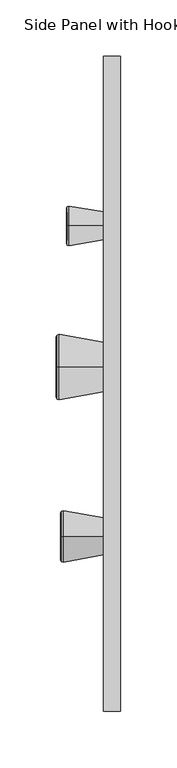
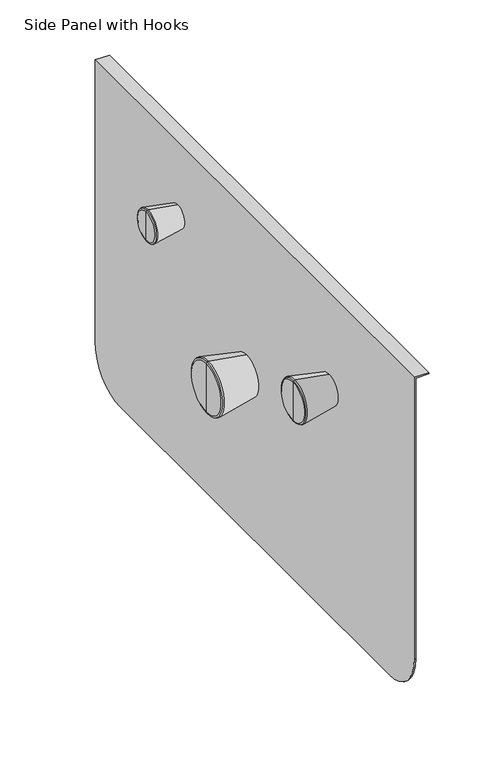
"""IFC4 building model written with IfcOpenShell, lengths in millimetres: furniture geometry, Side Panel with Hooks."""

import ifcopenshell
import ifcopenshell.guid

model = None  # the IFC model being written
_history = None  # IfcOwnerHistory: only IFC2X3 demands one
_inside = {}  # id of a spatial element -> (the spatial element, [elements in it])
_under = {}  # id of a project, library or spatial element -> (it, [spatial elements below it])
_declared = {}  # id of a project -> (the project, [libraries it declares])
_typed = {}  # id of a type object -> (the type object, [elements of that type])
_made_of = {}  # id of a material, layer set ... -> (it, [elements and type objects made of it])


def new_model(schema):
    """Start an empty IFC model of exactly this schema.

    Asked for "IFC4X3", IfcOpenShell would pick the latest addendum, in which some entities
    have other attributes; the version numbers below select the first issue.
    IFC2X3 requires an IfcOwnerHistory on every rooted entity: one is made here for all.
    """
    global model, _history
    if schema == "IFC4X3":
        model = ifcopenshell.file(schema_version=(4, 3, 0, 0))
    else:
        model = ifcopenshell.file(schema=schema)
    _inside.clear()
    _under.clear()
    _declared.clear()
    _typed.clear()
    _made_of.clear()
    _history = None
    if model.schema == "IFC2X3":
        org = make("IfcOrganization", Name="unknown")
        user = make(
            "IfcPersonAndOrganization",
            ThePerson=make("IfcPerson", FamilyName="unknown"),
            TheOrganization=org,
        )
        app = make(
            "IfcApplication",
            ApplicationDeveloper=org,
            Version="unknown",
            ApplicationFullName="unknown",
            ApplicationIdentifier="unknown",
        )
        _history = make(
            "IfcOwnerHistory",
            OwningUser=user,
            OwningApplication=app,
            ChangeAction="ADDED",
            CreationDate=0,
        )
    return model


def make(cls, **values):
    """One entity of the class cls with the attributes given. An attribute that is None is left unset."""
    return model.create_entity(
        cls, **{name: value for name, value in values.items() if value is not None}
    )


def rooted(cls, **values):
    """An entity with a GlobalId (a new one), such as an element, a storey or a relation."""
    return make(cls, GlobalId=ifcopenshell.guid.new(), OwnerHistory=_history, **values)


def si_unit(unit_type, name, prefix=None):
    """IfcSIUnit, for example si_unit("LENGTHUNIT", "METRE", prefix="MILLI")."""
    return make("IfcSIUnit", UnitType=unit_type, Prefix=prefix, Name=name)


def assignment(units):
    """IfcUnitAssignment: the units of a project."""
    return None if units is None else make("IfcUnitAssignment", Units=units)


def point(xyz):
    """IfcCartesianPoint."""
    return None if xyz is None else make("IfcCartesianPoint", Coordinates=xyz)


def direction(xyz):
    """IfcDirection."""
    return None if xyz is None else make("IfcDirection", DirectionRatios=xyz)


def frame(location, z_axis=None, x_axis=None):
    """IfcAxis2Placement3D, a coordinate frame: its origin and axes. An axis left out is left unset."""
    return make(
        "IfcAxis2Placement3D",
        Location=point(location),
        Axis=direction(z_axis),
        RefDirection=direction(x_axis),
    )


def origin():
    """The frame at (0, 0, 0) with its axes left unset."""
    return frame((0.0, 0.0, 0.0))


def place(relative_to, where):
    """IfcLocalPlacement: puts the frame where relative to a parent placement (None: the world)."""
    return make(
        "IfcLocalPlacement", PlacementRelTo=relative_to, RelativePlacement=where
    )


def context(
    kind, dimensions, precision=None, world=None, true_north=None, identifier=None
):
    """IfcGeometricRepresentationContext, for example the 3D "Model" context."""
    return make(
        "IfcGeometricRepresentationContext",
        ContextIdentifier=identifier,
        ContextType=kind,
        CoordinateSpaceDimension=dimensions,
        Precision=precision,
        WorldCoordinateSystem=world,
        TrueNorth=true_north,
    )


def project(units=None, contexts=None):
    """IfcProject with its units and contexts."""
    return rooted(
        "IfcProject",
        Name="project",
        RepresentationContexts=contexts,
        UnitsInContext=assignment(units),
    )


def spatial(cls, under=None, at=None, **own):
    """A site, building, storey or space (cls), placed at a placement, below another one or the project."""
    s = rooted(cls, ObjectPlacement=at, **own)
    if under is not None:
        _under.setdefault(under.id(), (under, []))[1].append(s)
    return s


def polyline(points):
    """IfcPolyline through the points."""
    return make("IfcPolyline", Points=[point(p) for p in points])


def circle_curve(where, radius):
    """IfcCircle in the frame where."""
    return make("IfcCircle", Position=where, Radius=radius)


def shape(context_of_items, identifier, shape_type, items):
    """IfcShapeRepresentation: the items that make up one representation, for example the "Body"."""
    return make(
        "IfcShapeRepresentation",
        ContextOfItems=context_of_items,
        RepresentationIdentifier=identifier,
        RepresentationType=shape_type,
        Items=items,
    )


def source(mapping_origin, context_of_items, identifier, shape_type, items):
    """IfcRepresentationMap: a shape defined once, which mapped items show again and again."""
    return make(
        "IfcRepresentationMap",
        MappingOrigin=mapping_origin,
        MappedRepresentation=shape(context_of_items, identifier, shape_type, items),
    )


def transform(
    local_origin,
    x_axis=None,
    y_axis=None,
    z_axis=None,
    scale=None,
    scale2=None,
    scale3=None,
    uniform=True,
):
    """IfcCartesianTransformationOperator3D, or its non-uniform kind. x_axis, y_axis, z_axis: its Axis1, 2, 3."""
    if uniform:
        return make(
            "IfcCartesianTransformationOperator3D",
            Axis1=direction(x_axis),
            Axis2=direction(y_axis),
            LocalOrigin=point(local_origin),
            Scale=scale,
            Axis3=direction(z_axis),
        )
    return make(
        "IfcCartesianTransformationOperator3DnonUniform",
        Axis1=direction(x_axis),
        Axis2=direction(y_axis),
        LocalOrigin=point(local_origin),
        Scale=scale,
        Axis3=direction(z_axis),
        Scale2=scale2,
        Scale3=scale3,
    )


def mapped(mapping_source, mapping_target):
    """IfcMappedItem: shows the shape of a source again, moved by a transform."""
    return make(
        "IfcMappedItem", MappingSource=mapping_source, MappingTarget=mapping_target
    )


def made_of(thing, what):
    """Note that an element or type object is made of a material, layer set ...; save() writes the relation."""
    if what is not None:
        _made_of.setdefault(what.id(), (what, []))[1].append(thing)
    return thing


def element(
    cls,
    number,
    at=None,
    inside=None,
    cuts=None,
    type_object=None,
    material=None,
    context=None,
    identifier="Body",
    shape_type=None,
    held_by="IfcProductDefinitionShape",
    body=None,
    shapes=None,
    **own,
):
    """One element of the class cls, such as IfcWall. Its Tag is "e" and its number.

    at: its placement. inside: the storey or other place that contains it. cuts: it is an
    opening in that element (IfcRelVoidsElement). A single representation is given by context,
    identifier, shape_type and body (its items); several are given by shapes. held_by: the class
    of the entity that holds the representations. save() writes the other relations.
    """
    e = rooted(cls, Tag="e%d" % number, ObjectPlacement=at, **own)
    if body is not None:
        shapes = [shape(context, identifier, shape_type, body)]
    if shapes is not None:
        e.Representation = make(held_by, Representations=shapes)
    if inside is not None:
        _inside.setdefault(inside.id(), (inside, []))[1].append(e)
    if cuts is not None:
        rooted(
            "IfcRelVoidsElement", RelatingBuildingElement=cuts, RelatedOpeningElement=e
        )
    if type_object is not None:
        _typed.setdefault(type_object.id(), (type_object, []))[1].append(e)
    return made_of(e, material)


def aggregate(whole, parts):
    """IfcRelAggregates: a whole, such as a stair, and the parts it consists of."""
    return rooted("IfcRelAggregates", RelatingObject=whole, RelatedObjects=parts)


def save(model, path):
    """Write the relations noted so far, then the file.

    IfcRelAggregates (storeys below a building ...), IfcRelContainedInSpatialStructure (elements
    in a storey), IfcRelDefinesByType, IfcRelAssociatesMaterial and IfcRelDeclares: one each for
    every whole, place, type object, material and project.
    """
    for whole, parts in _under.values():
        aggregate(whole, parts)
    for where, things in _inside.values():
        rooted(
            "IfcRelContainedInSpatialStructure",
            RelatedElements=things,
            RelatingStructure=where,
        )
    for kind, things in _typed.values():
        rooted("IfcRelDefinesByType", RelatedObjects=things, RelatingType=kind)
    for what, things in _made_of.values():
        rooted("IfcRelAssociatesMaterial", RelatedObjects=things, RelatingMaterial=what)
    for by, libraries in _declared.values():
        rooted("IfcRelDeclares", RelatingContext=by, RelatedDefinitions=libraries)
    model.write(path)


def plane_surface(at):
    """IfcPlane: the flat surface through the origin of the frame at, square to its z axis."""
    return make("IfcPlane", Position=at)


def cylinder_surface(at, radius):
    """IfcCylindricalSurface: all points at the distance radius from the z axis of the frame at."""
    return make("IfcCylindricalSurface", Position=at, Radius=radius)


def revolved_surface(curve, axis_point, axis_direction):
    """IfcSurfaceOfRevolution: the curve turned about the line through axis_point along axis_direction."""
    return make(
        "IfcSurfaceOfRevolution",
        SweptCurve=make("IfcArbitraryOpenProfileDef", ProfileType="CURVE", Curve=curve),
        AxisPosition=make("IfcAxis1Placement", Location=point(axis_point), Axis=direction(axis_direction)),
    )


def advanced_brep(points, edges, surfaces, faces):
    """IfcAdvancedBrep: a solid bounded by faces that lie on surfaces and meet in shared edges.

    An edge is (start, end): straight between two places in points (the first is 0);
    or (start, end, curve); or (start, end, curve, False) where it runs against its curve.
    A face is (place in surfaces, loops), or (place, loops, False) where it looks against
    its surface's normal. A loop lists edges by number (the first is 1), with a minus sign
    where the edge is run from its end to its start. The first loop is the outer one.
    """
    corners = [point(p) for p in points]
    vertices = [make("IfcVertexPoint", VertexGeometry=c) for c in corners]
    made = []
    for start, end, *more in edges:
        made.append(
            make(
                "IfcEdgeCurve",
                EdgeStart=vertices[start],
                EdgeEnd=vertices[end],
                EdgeGeometry=more[0] if more else make("IfcPolyline", Points=[corners[start], corners[end]]),
                SameSense=more[1] if len(more) > 1 else True,
            )
        )
    hull = []
    for where, loops, *sense in faces:
        bounds = []
        for j, loop in enumerate(loops):
            ring = [make("IfcOrientedEdge", EdgeElement=made[abs(k) - 1], Orientation=k > 0) for k in loop]
            bounds.append(
                make(
                    "IfcFaceOuterBound" if j == 0 else "IfcFaceBound",
                    Bound=make("IfcEdgeLoop", EdgeList=ring),
                    Orientation=True,
                )
            )
        hull.append(make("IfcAdvancedFace", Bounds=bounds, FaceSurface=surfaces[where], SameSense=sense[0] if sense else True))
    return make("IfcAdvancedBrep", Outer=make("IfcClosedShell", CfsFaces=hull))


def side_panel_with_hooks_f9195bd4(model_context):
    return source(origin(), model_context, "Body", "AdvancedBrep", [
        advanced_brep(
        [(0.48013, -535.0, 565.0502047), (0.48013, -535.0, 598.075599), (0.48013, -535.0, 581.5629019), (-35.1617376, -535.0, 558.5636912), (-35.1617376, -535.0, 604.5621126), (-37.5198384, -535.0, 581.5629596), (-37.5198384, -535.0, 602.5944383), (-37.5198384, -535.0, 560.5313655), (-36.7481992, -535.0, 559.0520984), (-36.7481992, -535.0, 604.0737054)],
        [
            (0, 1, circle_curve(frame((0.48013, -535.0, 581.5629019), z_axis=(1.0, 0.0, 0.0), x_axis=(0.0, 0.0, 1.0)), 16.5126971)),
            (1, 2),
            (2, 0),
            (1, 0, circle_curve(frame((0.48013, -535.0, 581.5629019), z_axis=(1.0, 0.0, 0.0), x_axis=(0.0, 0.0, 1.0)), 16.5126971)),
            (3, 4, circle_curve(frame((-35.1617376, -535.0, 581.5629019), z_axis=(1.0, 0.0, 0.0), x_axis=(0.0, 0.0, 1.0)), 22.9992107)),
            (4, 1),
            (0, 3),
            (4, 3, circle_curve(frame((-35.1617376, -535.0, 581.5629019), z_axis=(1.0, 0.0, 0.0), x_axis=(0.0, 0.0, 1.0)), 22.9992107)),
            (5, 6),
            (6, 7, circle_curve(frame((-37.5198384, -535.0, 581.5629019), z_axis=(-1.0, 0.0, 0.0), x_axis=(0.0, 0.0, 1.0)), 21.0315364)),
            (7, 5),
            (7, 6, circle_curve(frame((-37.5198384, -535.0, 581.5629019), z_axis=(-1.0, 0.0, 0.0), x_axis=(0.0, 0.0, 1.0)), 21.0315364)),
            (8, 9, circle_curve(frame((-36.7481992, -535.0, 581.5629019), z_axis=(1.0, 0.0, 0.0), x_axis=(0.0, 0.0, 1.0)), 22.5108035)),
            (9, 4),
            (3, 8),
            (9, 8, circle_curve(frame((-36.7481992, -535.0, 581.5629019), z_axis=(1.0, 0.0, 0.0), x_axis=(0.0, 0.0, 1.0)), 22.5108035)),
            (6, 9),
            (8, 7),
        ],
        [
            plane_surface(frame((0.48013, -535.0, 581.5629019), z_axis=(1.0, 0.0, 0.0), x_axis=(0.0, 0.0, 1.0))),
            revolved_surface(polyline([(0.48013, -535.0, 598.075599), (-35.1617376, -535.0, 604.5621126)]), (-61.5198545, -535.0, 581.5629019), (-1.0, 0.0, 0.0)),
            plane_surface(frame((-37.5198384, -535.0, 581.5629019), z_axis=(-1.0, 0.0, 0.0), x_axis=(0.0, 0.0, 1.0))),
            revolved_surface(polyline([(-35.1617376, -535.0, 604.5621126), (-36.7481992, -535.0, 604.0737054)]), (-61.5198545, -535.0, 581.5629019), (-1.0, 0.0, 0.0)),
            revolved_surface(polyline([(-36.7481992, -535.0, 604.0737054), (-37.5198384, -535.0, 602.5944383)]), (-61.5198545, -535.0, 581.5629019), (-1.0, 0.0, 0.0)),
        ],
        [
            (0, [[1, 2, 3]]),
            (0, [[4, -3, -2]]),
            (1, [[5, 6, -1, 7]]),
            (1, [[8, -7, -4, -6]]),
            (2, [[9, 10, 11]]),
            (2, [[-11, 12, -9]]),
            (3, [[13, 14, -5, 15]]),
            (3, [[16, -15, -8, -14]]),
            (4, [[-10, 17, -13, 18]]),
            (4, [[-12, -18, -16, -17]]),
        ],
    ),
        advanced_brep(
        [(0.48013, -260.0, 606.5629377), (0.48013, -260.0, 619.1292219), (0.48013, -260.0, 593.9966534), (-30.2023511, -260.0, 624.0628229), (-30.2023511, -260.0, 589.0630524), (-32.5198634, -260.0, 591.0376881), (-32.5198634, -260.0, 622.0881872), (-32.5198634, -260.0, 606.5629377), (-31.7828058, -260.0, 589.4437666), (-31.7828058, -260.0, 623.6821087)],
        [
            (0, 1),
            (1, 2, circle_curve(frame((0.48013, -260.0, 606.5629377), z_axis=(1.0, 0.0, 0.0), x_axis=(0.0, 0.0, 1.0)), 12.5662842)),
            (2, 0),
            (2, 1, circle_curve(frame((0.48013, -260.0, 606.5629377), z_axis=(1.0, 0.0, 0.0), x_axis=(0.0, 0.0, 1.0)), 12.5662842)),
            (1, 3),
            (3, 4, circle_curve(frame((-30.2023511, -260.0, 606.5629377), z_axis=(1.0, 0.0, 0.0), x_axis=(0.0, 0.0, 1.0)), 17.4998852)),
            (4, 2),
            (4, 3, circle_curve(frame((-30.2023511, -260.0, 606.5629377), z_axis=(1.0, 0.0, 0.0), x_axis=(0.0, 0.0, 1.0)), 17.4998852)),
            (5, 6, circle_curve(frame((-32.5198634, -260.0, 606.5629377), z_axis=(-1.0, 0.0, 0.0), x_axis=(0.0, 0.0, 1.0)), 15.5252496)),
            (6, 7),
            (7, 5),
            (6, 5, circle_curve(frame((-32.5198634, -260.0, 606.5629377), z_axis=(-1.0, 0.0, 0.0), x_axis=(0.0, 0.0, 1.0)), 15.5252496)),
            (8, 9, circle_curve(frame((-31.7828058, -260.0, 606.5629377), z_axis=(-1.0, 0.0, 0.0), x_axis=(0.0, 0.0, 1.0)), 17.119171)),
            (9, 6),
            (5, 8),
            (9, 8, circle_curve(frame((-31.7828058, -260.0, 606.5629377), z_axis=(-1.0, 0.0, 0.0), x_axis=(0.0, 0.0, 1.0)), 17.119171)),
            (3, 9),
            (8, 4),
        ],
        [
            plane_surface(frame((0.48013, -260.0, 606.5629377), z_axis=(1.0, 0.0, 0.0), x_axis=(0.0, 0.0, 1.0))),
            revolved_surface(polyline([(-30.2023511, -260.0, 624.0628229), (0.48013, -260.0, 619.1292219)]), (-61.5198545, -260.0, 606.5629377), (1.0, 0.0, 0.0)),
            plane_surface(frame((-32.5198634, -260.0, 606.5629377), z_axis=(-1.0, 0.0, 0.0), x_axis=(0.0, 0.0, 1.0))),
            revolved_surface(polyline([(-32.5198634, -260.0, 622.0881872), (-31.7828058, -260.0, 623.6821087)]), (-61.5198545, -260.0, 606.5629377), (1.0, 0.0, 0.0)),
            revolved_surface(polyline([(-31.7828058, -260.0, 623.6821087), (-30.2023511, -260.0, 624.0628229)]), (-61.5198545, -260.0, 606.5629377), (1.0, 0.0, 0.0)),
        ],
        [
            (0, [[1, 2, 3]]),
            (0, [[-3, 4, -1]]),
            (1, [[-2, 5, 6, 7]]),
            (1, [[-4, -7, 8, -5]]),
            (2, [[9, 10, 11]]),
            (2, [[12, -11, -10]]),
            (3, [[13, 14, -9, 15]]),
            (3, [[16, -15, -12, -14]]),
            (4, [[-6, 17, -13, 18]]),
            (4, [[-8, -18, -16, -17]]),
        ],
    ),
        advanced_brep(
        [(0.48013, -385.0, 506.5629019), (0.48013, -385.0, 528.5863382), (0.48013, -385.0, 484.5394655), (-39.173258, -385.0, 535.5637751), (-39.173258, -385.0, 477.5620287), (-40.7386386, -385.0, 535.1019654), (-40.7386386, -385.0, 478.0238383), (-41.5198545, -385.0, 533.5940363), (-41.5198545, -385.0, 479.5317675), (-41.5198545, -385.0, 506.5629019)],
        [
            (0, 1),
            (1, 2, circle_curve(frame((0.48013, -385.0, 506.5629019), z_axis=(1.0, 0.0, 0.0), x_axis=(0.0, 0.0, 1.0)), 22.0234363)),
            (2, 0),
            (2, 1, circle_curve(frame((0.48013, -385.0, 506.5629019), z_axis=(1.0, 0.0, 0.0), x_axis=(0.0, 0.0, 1.0)), 22.0234363)),
            (1, 3),
            (3, 4, circle_curve(frame((-39.173258, -385.0, 506.5629019), z_axis=(1.0, 0.0, 0.0), x_axis=(0.0, 0.0, 1.0)), 29.0008732)),
            (4, 2),
            (4, 3, circle_curve(frame((-39.173258, -385.0, 506.5629019), z_axis=(1.0, 0.0, 0.0), x_axis=(0.0, 0.0, 1.0)), 29.0008732)),
            (3, 5),
            (5, 6, circle_curve(frame((-40.7386386, -385.0, 506.5629019), z_axis=(1.0, 0.0, 0.0), x_axis=(0.0, 0.0, 1.0)), 28.5390636)),
            (6, 4),
            (6, 5, circle_curve(frame((-40.7386386, -385.0, 506.5629019), z_axis=(1.0, 0.0, 0.0), x_axis=(0.0, 0.0, 1.0)), 28.5390636)),
            (5, 7),
            (7, 8, circle_curve(frame((-41.5198545, -385.0, 506.5629019), z_axis=(1.0, 0.0, 0.0), x_axis=(0.0, 0.0, 1.0)), 27.0311344)),
            (8, 6),
            (8, 7, circle_curve(frame((-41.5198545, -385.0, 506.5629019), z_axis=(1.0, 0.0, 0.0), x_axis=(0.0, 0.0, 1.0)), 27.0311344)),
            (7, 9),
            (9, 8),
        ],
        [
            plane_surface(frame((0.48013, -385.0, 506.5629019), z_axis=(1.0, 0.0, 0.0), x_axis=(0.0, 0.0, 1.0))),
            revolved_surface(polyline([(-39.173258, -385.0, 535.5637751), (0.48013, -385.0, 528.5863382)]), (-61.5198545, -385.0, 506.5629019), (1.0, 0.0, 0.0)),
            revolved_surface(polyline([(-40.7386386, -385.0, 535.1019654), (-39.173258, -385.0, 535.5637751)]), (-61.5198545, -385.0, 506.5629019), (1.0, 0.0, 0.0)),
            revolved_surface(polyline([(-41.5198545, -385.0, 533.5940363), (-40.7386386, -385.0, 535.1019654)]), (-61.5198545, -385.0, 506.5629019), (1.0, 0.0, 0.0)),
            plane_surface(frame((-41.5198545, -385.0, 506.5629019), z_axis=(-1.0, 0.0, 0.0), x_axis=(0.0, 0.0, 1.0))),
        ],
        [
            (0, [[1, 2, 3]]),
            (0, [[-3, 4, -1]]),
            (1, [[-2, 5, 6, 7]]),
            (1, [[-4, -7, 8, -5]]),
            (2, [[-6, 9, 10, 11]]),
            (2, [[-8, -11, 12, -9]]),
            (3, [[-10, 13, 14, 15]]),
            (3, [[-12, -15, 16, -13]]),
            (4, [[-14, 17, 18]]),
            (4, [[-16, -18, -17]]),
        ],
    ),
        advanced_brep(
        [(2.0, -689.9999923, 376.5617293), (2.0, -644.9999923, 331.5617293), (2.0, -155.0000077, 331.5617293), (2.0, -110.0000077, 376.5617293), (2.0, -110.0000077, 687.0617293), (2.0, -689.9999923, 687.0617293), (0.5, -689.9999923, 376.5617293), (0.5, -689.9999923, 688.5617293), (0.5, -110.0000077, 688.5617293), (0.5, -110.0000077, 376.5617293), (0.5, -155.0000077, 331.5617293), (0.5, -644.9999923, 331.5617293), (15.5, -689.9999923, 687.0617293), (15.5, -689.9999923, 688.5617293), (15.5, -110.0000077, 688.5617293), (15.5, -110.0000077, 687.0617293)],
        [
            (0, 1, circle_curve(frame((2.0, -644.9999923, 376.5617293), z_axis=(1.0, 0.0, 0.0), x_axis=(0.0, 1.0, 0.0)), 45.0)),
            (1, 2),
            (2, 3, circle_curve(frame((2.0, -155.0000077, 376.5617293), z_axis=(1.0, 0.0, 0.0), x_axis=(0.0, 1.0, 0.0)), 45.0)),
            (3, 4),
            (4, 5),
            (5, 0),
            (6, 7),
            (7, 8),
            (8, 9),
            (9, 10, circle_curve(frame((0.5, -155.0000077, 376.5617293), z_axis=(-1.0, 0.0, 0.0), x_axis=(0.0, 1.0, 0.0)), 45.0)),
            (10, 11),
            (11, 6, circle_curve(frame((0.5, -644.9999923, 376.5617293), z_axis=(-1.0, 0.0, 0.0), x_axis=(0.0, 1.0, 0.0)), 45.0)),
            (6, 0),
            (5, 12),
            (12, 13),
            (13, 7),
            (11, 1),
            (10, 2),
            (9, 3),
            (8, 14),
            (14, 15),
            (15, 4),
            (13, 14),
            (12, 15),
        ],
        [
            plane_surface(frame((2.0, -689.9999923, 688.5617293), z_axis=(1.0, 0.0, 0.0), x_axis=(0.0, 0.0, -1.0))),
            plane_surface(frame((0.5, -689.9999923, 688.5617293), z_axis=(-1.0, 0.0, 0.0), x_axis=(0.0, 0.0, 1.0))),
            plane_surface(frame((2.0, -689.9999923, 688.5617293), z_axis=(0.0, -1.0, 0.0), x_axis=(-1.0, 0.0, 0.0))),
            cylinder_surface(frame((0.5, -644.9999923, 376.5617293), z_axis=(1.0, 0.0, 0.0), x_axis=(0.0, 1.0, 0.0)), 45.0),
            plane_surface(frame((2.0, -644.9999923, 331.5617293), z_axis=(0.0, 0.0, -1.0), x_axis=(-1.0, 0.0, 0.0))),
            cylinder_surface(frame((0.5, -155.0000077, 376.5617293), z_axis=(1.0, 0.0, 0.0), x_axis=(0.0, 1.0, 0.0)), 45.0),
            plane_surface(frame((2.0, -110.0000077, 376.5617293), z_axis=(0.0, 1.0, 0.0), x_axis=(-1.0, 0.0, 0.0))),
            plane_surface(frame((2.0, -110.0000077, 688.5617293), z_axis=(0.0, 0.0, 1.0), x_axis=(-1.0, 0.0, 0.0))),
            plane_surface(frame((15.5, -689.9999923, 687.0617293), z_axis=(1.0, 0.0, 0.0), x_axis=(0.0, 1.0, 0.0))),
            plane_surface(frame((0.5, -689.9999923, 687.0617293), z_axis=(0.0, 0.0, -1.0), x_axis=(0.0, 1.0, 0.0))),
        ],
        [
            (0, [[1, 2, 3, 4, 5, 6]]),
            (1, [[7, 8, 9, 10, 11, 12]]),
            (2, [[13, -6, 14, 15, 16, -7]]),
            (3, [[-1, -13, -12, 17]]),
            (4, [[-2, -17, -11, 18]]),
            (5, [[-3, -18, -10, 19]]),
            (6, [[-19, -9, 20, 21, 22, -4]]),
            (7, [[-20, -8, -16, 23]]),
            (8, [[-15, 24, -21, -23]]),
            (9, [[-24, -14, -5, -22]]),
        ],
    ),
    ])


if __name__ == "__main__":
    model = new_model("IFC4")
    model_context = context("Model", 3, world=origin())
    ifc_project = project(units=[si_unit("LENGTHUNIT", "METRE", prefix="MILLI")], contexts=[model_context])
    site = spatial("IfcSite", under=ifc_project)
    building = spatial("IfcBuilding", under=site)
    placement = place(None, origin())
    side_panel_with_hooks_shape = side_panel_with_hooks_f9195bd4(model_context)
    element("IfcFurniture", 1, ObjectType="Side Panel with Hooks", at=placement, inside=building, context=model_context, shape_type="MappedRepresentation", body=[
        mapped(side_panel_with_hooks_shape, transform((0.0, 0.0, 0.0), x_axis=(1.0, 0.0, 0.0), y_axis=(0.0, 1.0, 0.0), z_axis=(0.0, 0.0, 1.0))),
    ])
    save(model, "model.ifc")
